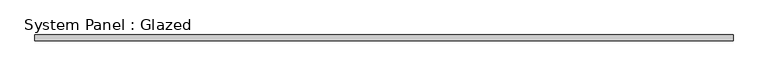
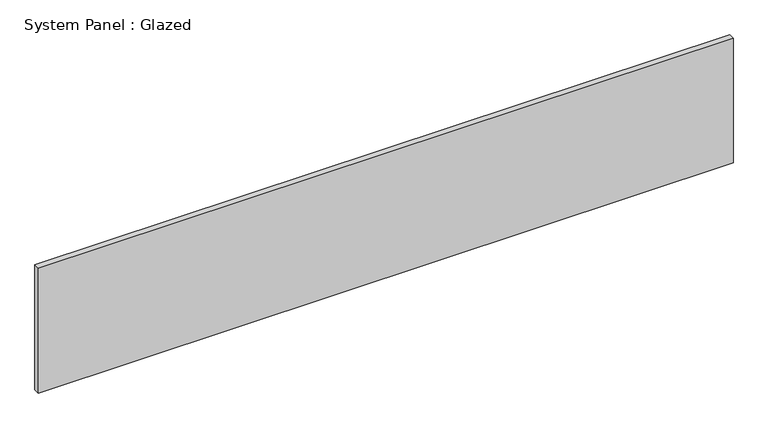
"""IFC4 building model written with IfcOpenShell, lengths in millimetres: plate geometry, System Panel : Glazed."""

from ifc_helpers import new_model, si_unit, origin, origin_with_axes, place, context, project, spatial, polyline, outline, extrude, source, transform, mapped, element, save


def system_panel_glazed_c8f6f9d8(model_context):
    return source(origin(), model_context, "Body", "SweptSolid", [
        extrude(outline(polyline([(1473.2, 0.0), (-1473.2, 0.0), (-1473.2, 25.4), (1473.2, 25.4), (1473.2, 0.0)])), origin_with_axes(), (0.0, 0.0, 1.0), 558.8),
    ])


if __name__ == "__main__":
    model = new_model("IFC4")
    model_context = context("Model", 3, world=origin())
    ifc_project = project(units=[si_unit("LENGTHUNIT", "METRE", prefix="MILLI")], contexts=[model_context])
    site = spatial("IfcSite", under=ifc_project)
    building = spatial("IfcBuilding", under=site)
    placement = place(None, origin())
    system_panel_glazed_shape = system_panel_glazed_c8f6f9d8(model_context)
    element("IfcPlate", 1, ObjectType="System Panel : Glazed", at=placement, inside=building, context=model_context, shape_type="MappedRepresentation", body=[
        mapped(system_panel_glazed_shape, transform((0.0, 0.0, 0.0), x_axis=(1.0, 0.0, 0.0), y_axis=(0.0, 1.0, 0.0), z_axis=(0.0, 0.0, 1.0))),
    ])
    save(model, "model.ifc")
